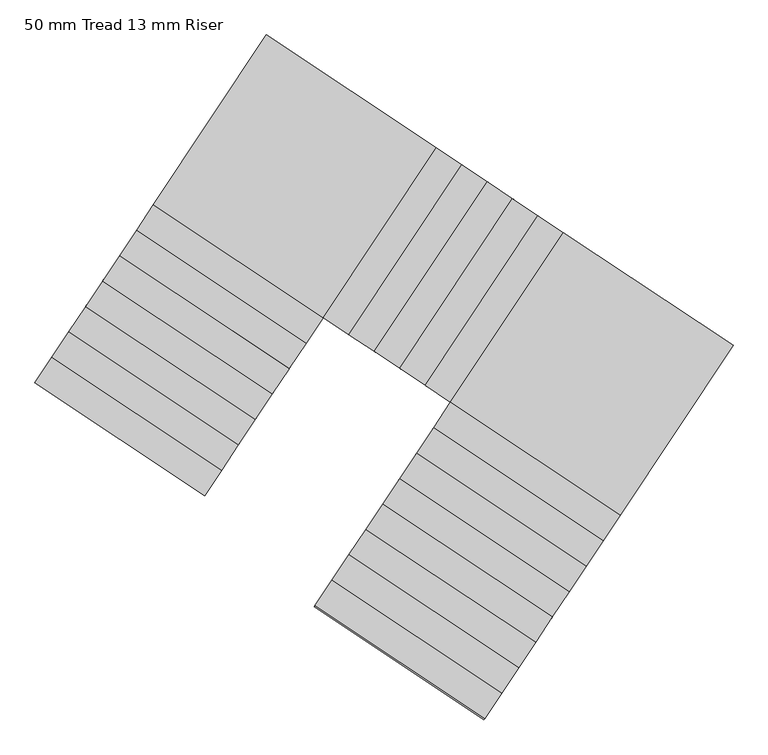
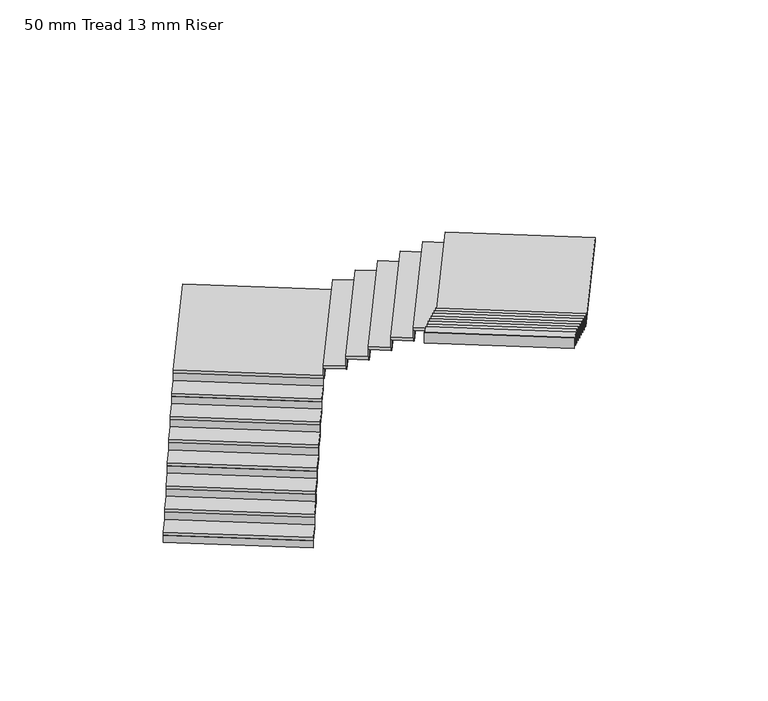
"""IFC4 building model written with IfcOpenShell, lengths in millimetres: stair flight geometry, 50 mm Tread 13 mm Riser."""

from ifc_helpers import new_model, si_unit, frame, origin, place, context, project, spatial, polyline, outline, extrude, source, transform, mapped, element, save


def stair_flight_50_mm_tread_13_mm_riser_d224ad7c(model_context):
    return source(origin(), model_context, "Body", "SweptSolid", [
        extrude(outline(polyline([(-240424.517887, 66996.0655594), (-240431.4416342, 66985.6582675), (-242096.6083378, 68093.4578203), (-242089.6845906, 68103.8651122), (-240424.517887, 66996.0655594)])), frame((0.0, 0.0, 680.0), z_axis=(0.0, 0.0, 1.0), x_axis=(1.0, 0.0, 0.0)), (0.0, 0.0, 1.0), 116.6666667),
        extrude(outline(polyline([(-241930.4384049, 68343.2328258), (-240265.2717013, 67235.4332731), (-240431.4416342, 66985.6582675), (-242096.6083378, 68093.4578203), (-241930.4384049, 68343.2328258)])), frame((0.0, 0.0, 796.6666667), z_axis=(0.0, 0.0, 1.0), x_axis=(1.0, 0.0, 0.0)), (0.0, 0.0, 1.0), 50.0),
        extrude(outline(polyline([(-240258.3479541, 67245.840565), (-240265.2717013, 67235.4332731), (-241930.4384049, 68343.2328258), (-241923.5146577, 68353.6401177), (-240258.3479541, 67245.840565)])), frame((0.0, 0.0, 796.6666667), z_axis=(0.0, 0.0, 1.0), x_axis=(1.0, 0.0, 0.0)), (0.0, 0.0, 1.0), 166.6666667),
        extrude(outline(polyline([(-241764.268472, 68593.0078314), (-240099.1017684, 67485.2082786), (-240265.2717013, 67235.4332731), (-241930.4384049, 68343.2328258), (-241764.268472, 68593.0078314)])), frame((0.0, 0.0, 963.3333333), z_axis=(0.0, 0.0, 1.0), x_axis=(1.0, 0.0, 0.0)), (0.0, 0.0, 1.0), 50.0),
        extrude(outline(polyline([(-240092.1780212, 67495.6155705), (-240099.1017684, 67485.2082786), (-241764.268472, 68593.0078314), (-241757.3447248, 68603.4151233), (-240092.1780212, 67495.6155705)])), frame((0.0, 0.0, 963.3333333), z_axis=(0.0, 0.0, 1.0), x_axis=(1.0, 0.0, 0.0)), (0.0, 0.0, 1.0), 166.6666667),
        extrude(outline(polyline([(-241598.0985391, 68842.7828369), (-239932.9318355, 67734.9832842), (-240099.1017684, 67485.2082786), (-241764.268472, 68593.0078314), (-241598.0985391, 68842.7828369)])), frame((0.0, 0.0, 1130.0), z_axis=(0.0, 0.0, 1.0), x_axis=(1.0, 0.0, 0.0)), (0.0, 0.0, 1.0), 50.0),
        extrude(outline(polyline([(-239926.0080883, 67745.3905761), (-239932.9318355, 67734.9832842), (-241598.0985391, 68842.7828369), (-241591.1747919, 68853.1901288), (-239926.0080883, 67745.3905761)])), frame((0.0, 0.0, 1130.0), z_axis=(0.0, 0.0, 1.0), x_axis=(1.0, 0.0, 0.0)), (0.0, 0.0, 1.0), 166.6666667),
        extrude(outline(polyline([(-241431.9286062, 69092.5578425), (-239766.7619025, 67984.7582897), (-239932.9318355, 67734.9832842), (-241598.0985391, 68842.7828369), (-241431.9286062, 69092.5578425)])), frame((0.0, 0.0, 1296.6666667), z_axis=(0.0, 0.0, 1.0), x_axis=(1.0, 0.0, 0.0)), (0.0, 0.0, 1.0), 50.0),
        extrude(outline(polyline([(-239759.8381553, 67995.1655816), (-239766.7619025, 67984.7582897), (-241431.9286062, 69092.5578425), (-241425.004859, 69102.9651344), (-239759.8381553, 67995.1655816)])), frame((0.0, 0.0, 1296.6666667), z_axis=(0.0, 0.0, 1.0), x_axis=(1.0, 0.0, 0.0)), (0.0, 0.0, 1.0), 166.6666667),
        extrude(outline(polyline([(-241265.7586733, 69342.332848), (-239600.5919696, 68234.5332953), (-239766.7619025, 67984.7582897), (-241431.9286062, 69092.5578425), (-241265.7586733, 69342.332848)])), frame((0.0, 0.0, 1463.3333333), z_axis=(0.0, 0.0, 1.0), x_axis=(1.0, 0.0, 0.0)), (0.0, 0.0, 1.0), 50.0),
        extrude(outline(polyline([(-239593.6682224, 68244.9405872), (-239600.5919696, 68234.5332953), (-241265.7586733, 69342.332848), (-241258.8349261, 69352.7401399), (-239593.6682224, 68244.9405872)])), frame((0.0, 0.0, 1463.3333333), z_axis=(0.0, 0.0, 1.0), x_axis=(1.0, 0.0, 0.0)), (0.0, 0.0, 1.0), 166.6666667),
        extrude(outline(polyline([(-241099.5887404, 69592.1078536), (-239434.4220367, 68484.3083008), (-239600.5919696, 68234.5332953), (-241265.7586733, 69342.332848), (-241099.5887404, 69592.1078536)])), frame((0.0, 0.0, 1630.0), z_axis=(0.0, 0.0, 1.0), x_axis=(1.0, 0.0, 0.0)), (0.0, 0.0, 1.0), 50.0),
        extrude(outline(polyline([(-239427.4982895, 68494.7155927), (-239434.4220367, 68484.3083008), (-241099.5887404, 69592.1078536), (-241092.6649932, 69602.5151455), (-239427.4982895, 68494.7155927)])), frame((0.0, 0.0, 1630.0), z_axis=(0.0, 0.0, 1.0), x_axis=(1.0, 0.0, 0.0)), (0.0, 0.0, 1.0), 166.6666667),
        extrude(outline(polyline([(-240933.4188075, 69841.8828591), (-239268.2521038, 68734.0833064), (-239434.4220367, 68484.3083008), (-241099.5887404, 69592.1078536), (-240933.4188075, 69841.8828591)])), frame((0.0, 0.0, 1796.6666667), z_axis=(0.0, 0.0, 1.0), x_axis=(1.0, 0.0, 0.0)), (0.0, 0.0, 1.0), 50.0),
        extrude(outline(polyline([(-239261.3283566, 68744.4905983), (-239268.2521038, 68734.0833064), (-240933.4188075, 69841.8828591), (-240926.4950603, 69852.290151), (-239261.3283566, 68744.4905983)])), frame((0.0, 0.0, 1796.6666667), z_axis=(0.0, 0.0, 1.0), x_axis=(1.0, 0.0, 0.0)), (0.0, 0.0, 1.0), 166.6666667),
        extrude(outline(polyline([(-238160.4525511, 70399.25001), (-239268.2521038, 68734.0833064), (-240933.4188075, 69841.8828591), (-239825.6192547, 71507.0495628), (-238160.4525511, 70399.25001)])), frame((0.0, 0.0, 1963.3333333), z_axis=(0.0, 0.0, 1.0), x_axis=(1.0, 0.0, 0.0)), (0.0, 0.0, 1.0), 50.0),
        extrude(outline(polyline([(-239257.8448119, 68727.1595592), (-239268.2521038, 68734.0833064), (-238160.4525511, 70399.25001), (-238150.0452592, 70392.3262628), (-239257.8448119, 68727.1595592)])), frame((0.0, 0.0, 1963.3333333), z_axis=(0.0, 0.0, 1.0), x_axis=(1.0, 0.0, 0.0)), (0.0, 0.0, 1.0), 166.6666667),
        extrude(outline(polyline([(-237910.6775455, 70233.0800771), (-239018.4770983, 68567.9133735), (-239268.2521038, 68734.0833064), (-238160.4525511, 70399.25001), (-237910.6775455, 70233.0800771)])), frame((0.0, 0.0, 2130.0), z_axis=(0.0, 0.0, 1.0), x_axis=(1.0, 0.0, 0.0)), (0.0, 0.0, 1.0), 50.0),
        extrude(outline(polyline([(-239008.0698064, 68560.9896263), (-239018.4770983, 68567.9133735), (-237910.6775455, 70233.0800771), (-237900.2702536, 70226.1563299), (-239008.0698064, 68560.9896263)])), frame((0.0, 0.0, 2130.0), z_axis=(0.0, 0.0, 1.0), x_axis=(1.0, 0.0, 0.0)), (0.0, 0.0, 1.0), 166.6666667),
        extrude(outline(polyline([(-237660.90254, 70066.9101442), (-238768.7020927, 68401.7434406), (-239018.4770983, 68567.9133735), (-237910.6775455, 70233.0800771), (-237660.90254, 70066.9101442)])), frame((0.0, 0.0, 2296.6666667), z_axis=(0.0, 0.0, 1.0), x_axis=(1.0, 0.0, 0.0)), (0.0, 0.0, 1.0), 50.0),
        extrude(outline(polyline([(-238758.2948008, 68394.8196934), (-238768.7020927, 68401.7434406), (-237660.90254, 70066.9101442), (-237650.4952481, 70059.986397), (-238758.2948008, 68394.8196934)])), frame((0.0, 0.0, 2296.6666667), z_axis=(0.0, 0.0, 1.0), x_axis=(1.0, 0.0, 0.0)), (0.0, 0.0, 1.0), 166.6666667),
        extrude(outline(polyline([(-237411.1275344, 69900.7402113), (-238518.9270872, 68235.5735076), (-238768.7020927, 68401.7434406), (-237660.90254, 70066.9101442), (-237411.1275344, 69900.7402113)])), frame((0.0, 0.0, 2463.3333333), z_axis=(0.0, 0.0, 1.0), x_axis=(1.0, 0.0, 0.0)), (0.0, 0.0, 1.0), 50.0),
        extrude(outline(polyline([(-238508.5197953, 68228.6497604), (-238518.9270872, 68235.5735076), (-237411.1275344, 69900.7402113), (-237400.7202425, 69893.8164641), (-238508.5197953, 68228.6497604)])), frame((0.0, 0.0, 2463.3333333), z_axis=(0.0, 0.0, 1.0), x_axis=(1.0, 0.0, 0.0)), (0.0, 0.0, 1.0), 166.6666667),
        extrude(outline(polyline([(-237161.3525289, 69734.5702784), (-238269.1520816, 68069.4035747), (-238518.9270872, 68235.5735076), (-237411.1275344, 69900.7402113), (-237161.3525289, 69734.5702784)])), frame((0.0, 0.0, 2630.0), z_axis=(0.0, 0.0, 1.0), x_axis=(1.0, 0.0, 0.0)), (0.0, 0.0, 1.0), 50.0),
        extrude(outline(polyline([(-238258.7447897, 68062.4798275), (-238269.1520816, 68069.4035747), (-237161.3525289, 69734.5702784), (-237150.945237, 69727.6465312), (-238258.7447897, 68062.4798275)])), frame((0.0, 0.0, 2630.0), z_axis=(0.0, 0.0, 1.0), x_axis=(1.0, 0.0, 0.0)), (0.0, 0.0, 1.0), 166.6666667),
        extrude(outline(polyline([(-236911.5775233, 69568.4003455), (-238019.3770761, 67903.2336418), (-238269.1520816, 68069.4035747), (-237161.3525289, 69734.5702784), (-236911.5775233, 69568.4003455)])), frame((0.0, 0.0, 2796.6666667), z_axis=(0.0, 0.0, 1.0), x_axis=(1.0, 0.0, 0.0)), (0.0, 0.0, 1.0), 50.0),
        extrude(outline(polyline([(-238008.9697842, 67896.3098946), (-238019.3770761, 67903.2336418), (-236911.5775233, 69568.4003455), (-236901.1702314, 69561.4765983), (-238008.9697842, 67896.3098946)])), frame((0.0, 0.0, 2796.6666667), z_axis=(0.0, 0.0, 1.0), x_axis=(1.0, 0.0, 0.0)), (0.0, 0.0, 1.0), 166.6666667),
        extrude(outline(polyline([(-236354.2103724, 66795.4340891), (-238019.3770761, 67903.2336418), (-236911.5775233, 69568.4003455), (-235246.4108197, 68460.6007927), (-236354.2103724, 66795.4340891)])), frame((0.0, 0.0, 2963.3333333), z_axis=(0.0, 0.0, 1.0), x_axis=(1.0, 0.0, 0.0)), (0.0, 0.0, 1.0), 50.0),
        extrude(outline(polyline([(-238026.3008233, 67892.8263499), (-238019.3770761, 67903.2336418), (-236354.2103724, 66795.4340891), (-236361.1341196, 66785.0267972), (-238026.3008233, 67892.8263499)])), frame((0.0, 0.0, 2963.3333333), z_axis=(0.0, 0.0, 1.0), x_axis=(1.0, 0.0, 0.0)), (0.0, 0.0, 1.0), 166.6666667),
        extrude(outline(polyline([(-236520.3803053, 66545.6590835), (-238185.547009, 67653.4586363), (-238019.3770761, 67903.2336418), (-236354.2103724, 66795.4340891), (-236520.3803053, 66545.6590835)])), frame((0.0, 0.0, 3130.0), z_axis=(0.0, 0.0, 1.0), x_axis=(1.0, 0.0, 0.0)), (0.0, 0.0, 1.0), 50.0),
        extrude(outline(polyline([(-238192.4707562, 67643.0513444), (-238185.547009, 67653.4586363), (-236520.3803053, 66545.6590835), (-236527.3040525, 66535.2517916), (-238192.4707562, 67643.0513444)])), frame((0.0, 0.0, 3130.0), z_axis=(0.0, 0.0, 1.0), x_axis=(1.0, 0.0, 0.0)), (0.0, 0.0, 1.0), 166.6666667),
        extrude(outline(polyline([(-236686.5502382, 66295.884078), (-238351.7169419, 67403.6836307), (-238185.547009, 67653.4586363), (-236520.3803053, 66545.6590835), (-236686.5502382, 66295.884078)])), frame((0.0, 0.0, 3296.6666667), z_axis=(0.0, 0.0, 1.0), x_axis=(1.0, 0.0, 0.0)), (0.0, 0.0, 1.0), 50.0),
        extrude(outline(polyline([(-238358.6406891, 67393.2763388), (-238351.7169419, 67403.6836307), (-236686.5502382, 66295.884078), (-236693.4739854, 66285.4767861), (-238358.6406891, 67393.2763388)])), frame((0.0, 0.0, 3296.6666667), z_axis=(0.0, 0.0, 1.0), x_axis=(1.0, 0.0, 0.0)), (0.0, 0.0, 1.0), 166.6666667),
        extrude(outline(polyline([(-236852.7201712, 66046.1090724), (-238517.8868748, 67153.9086252), (-238351.7169419, 67403.6836307), (-236686.5502382, 66295.884078), (-236852.7201712, 66046.1090724)])), frame((0.0, 0.0, 3463.3333333), z_axis=(0.0, 0.0, 1.0), x_axis=(1.0, 0.0, 0.0)), (0.0, 0.0, 1.0), 50.0),
        extrude(outline(polyline([(-238524.810622, 67143.5013333), (-238517.8868748, 67153.9086252), (-236852.7201712, 66046.1090724), (-236859.6439184, 66035.7017805), (-238524.810622, 67143.5013333)])), frame((0.0, 0.0, 3463.3333333), z_axis=(0.0, 0.0, 1.0), x_axis=(1.0, 0.0, 0.0)), (0.0, 0.0, 1.0), 166.6666667),
        extrude(outline(polyline([(-237018.8901041, 65796.3340669), (-238684.0568077, 66904.1336196), (-238517.8868748, 67153.9086252), (-236852.7201712, 66046.1090724), (-237018.8901041, 65796.3340669)])), frame((0.0, 0.0, 3630.0), z_axis=(0.0, 0.0, 1.0), x_axis=(1.0, 0.0, 0.0)), (0.0, 0.0, 1.0), 50.0),
        extrude(outline(polyline([(-238690.9805549, 66893.7263277), (-238684.0568077, 66904.1336196), (-237018.8901041, 65796.3340669), (-237025.8138513, 65785.926775), (-238690.9805549, 66893.7263277)])), frame((0.0, 0.0, 3630.0), z_axis=(0.0, 0.0, 1.0), x_axis=(1.0, 0.0, 0.0)), (0.0, 0.0, 1.0), 166.6666667),
        extrude(outline(polyline([(-237185.060037, 65546.5590614), (-238850.2267406, 66654.3586141), (-238684.0568077, 66904.1336196), (-237018.8901041, 65796.3340669), (-237185.060037, 65546.5590614)])), frame((0.0, 0.0, 3796.6666667), z_axis=(0.0, 0.0, 1.0), x_axis=(1.0, 0.0, 0.0)), (0.0, 0.0, 1.0), 50.0),
        extrude(outline(polyline([(-238857.1504878, 66643.9513222), (-238850.2267406, 66654.3586141), (-237185.060037, 65546.5590613), (-237191.9837842, 65536.1517694), (-238857.1504878, 66643.9513222)])), frame((0.0, 0.0, 3796.6666667), z_axis=(0.0, 0.0, 1.0), x_axis=(1.0, 0.0, 0.0)), (0.0, 0.0, 1.0), 166.6666667),
        extrude(outline(polyline([(-237351.2299699, 65296.7840558), (-239016.3966735, 66404.5836085), (-238850.2267406, 66654.3586141), (-237185.060037, 65546.5590613), (-237351.2299699, 65296.7840558)])), frame((0.0, 0.0, 3963.3333333), z_axis=(0.0, 0.0, 1.0), x_axis=(1.0, 0.0, 0.0)), (0.0, 0.0, 1.0), 50.0),
        extrude(outline(polyline([(-239023.3204207, 66394.1763166), (-239016.3966735, 66404.5836085), (-237351.2299699, 65296.7840558), (-237358.1537171, 65286.3767639), (-239023.3204207, 66394.1763166)])), frame((0.0, 0.0, 3963.3333333), z_axis=(0.0, 0.0, 1.0), x_axis=(1.0, 0.0, 0.0)), (0.0, 0.0, 1.0), 166.6666667),
        extrude(outline(polyline([(-237517.3999028, 65047.0090503), (-239182.5666064, 66154.808603), (-239016.3966735, 66404.5836085), (-237351.2299699, 65296.7840558), (-237517.3999028, 65047.0090503)])), frame((0.0, 0.0, 4130.0), z_axis=(0.0, 0.0, 1.0), x_axis=(1.0, 0.0, 0.0)), (0.0, 0.0, 1.0), 50.0),
        extrude(outline(polyline([(-239189.4903537, 66144.4013111), (-239182.5666064, 66154.808603), (-237517.3999028, 65047.0090502), (-237524.32365, 65036.6017584), (-239189.4903537, 66144.4013111)])), frame((0.0, 0.0, 4130.0), z_axis=(0.0, 0.0, 1.0), x_axis=(1.0, 0.0, 0.0)), (0.0, 0.0, 1.0), 166.6666667),
        extrude(outline(polyline([(-239355.6602866, 65894.6263055), (-239348.7365394, 65905.0335974), (-237683.5698357, 64797.2340447), (-237690.4935829, 64786.8267528), (-239355.6602866, 65894.6263055)])), frame((0.0, 0.0, 4296.6666667), z_axis=(0.0, 0.0, 1.0), x_axis=(1.0, 0.0, 0.0)), (0.0, 0.0, 1.0), 166.6666667),
        extrude(outline(polyline([(-237683.5698357, 64797.2340447), (-239348.7365394, 65905.0335974), (-239182.5666064, 66154.808603), (-237517.3999028, 65047.0090502), (-237683.5698357, 64797.2340447)])), frame((0.0, 0.0, 4296.6666667), z_axis=(0.0, 0.0, 1.0), x_axis=(1.0, 0.0, 0.0)), (0.0, 0.0, 1.0), 50.0),
    ])


if __name__ == "__main__":
    model = new_model("IFC4")
    model_context = context("Model", 3, world=origin())
    ifc_project = project(units=[si_unit("LENGTHUNIT", "METRE", prefix="MILLI")], contexts=[model_context])
    site = spatial("IfcSite", under=ifc_project)
    building = spatial("IfcBuilding", under=site)
    placement = place(None, origin())
    stair_flight_50_mm_tread_13_mm_riser_shape = stair_flight_50_mm_tread_13_mm_riser_d224ad7c(model_context)
    element("IfcStairFlight", 1, ObjectType="50 mm Tread 13 mm Riser", at=placement, inside=building, context=model_context, shape_type="MappedRepresentation", body=[
        mapped(stair_flight_50_mm_tread_13_mm_riser_shape, transform((0.0, 0.0, 0.0), x_axis=(1.0, 0.0, 0.0), y_axis=(0.0, 1.0, 0.0), z_axis=(0.0, 0.0, 1.0))),
    ])
    save(model, "model.ifc")
